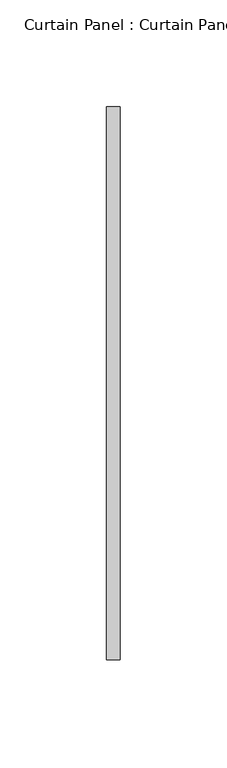
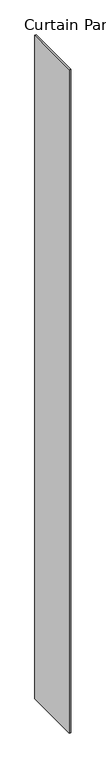
"""IFC4 building model written with IfcOpenShell, lengths in millimetres: plate geometry, Curtain Panel : Curtain Panel."""

import ifcopenshell
import ifcopenshell.guid

model = None  # the IFC model being written
_history = None  # IfcOwnerHistory: only IFC2X3 demands one
_inside = {}  # id of a spatial element -> (the spatial element, [elements in it])
_under = {}  # id of a project, library or spatial element -> (it, [spatial elements below it])
_declared = {}  # id of a project -> (the project, [libraries it declares])
_typed = {}  # id of a type object -> (the type object, [elements of that type])
_made_of = {}  # id of a material, layer set ... -> (it, [elements and type objects made of it])


def new_model(schema):
    """Start an empty IFC model of exactly this schema.

    Asked for "IFC4X3", IfcOpenShell would pick the latest addendum, in which some entities
    have other attributes; the version numbers below select the first issue.
    IFC2X3 requires an IfcOwnerHistory on every rooted entity: one is made here for all.
    """
    global model, _history
    if schema == "IFC4X3":
        model = ifcopenshell.file(schema_version=(4, 3, 0, 0))
    else:
        model = ifcopenshell.file(schema=schema)
    _inside.clear()
    _under.clear()
    _declared.clear()
    _typed.clear()
    _made_of.clear()
    _history = None
    if model.schema == "IFC2X3":
        org = make("IfcOrganization", Name="unknown")
        user = make(
            "IfcPersonAndOrganization",
            ThePerson=make("IfcPerson", FamilyName="unknown"),
            TheOrganization=org,
        )
        app = make(
            "IfcApplication",
            ApplicationDeveloper=org,
            Version="unknown",
            ApplicationFullName="unknown",
            ApplicationIdentifier="unknown",
        )
        _history = make(
            "IfcOwnerHistory",
            OwningUser=user,
            OwningApplication=app,
            ChangeAction="ADDED",
            CreationDate=0,
        )
    return model


def make(cls, **values):
    """One entity of the class cls with the attributes given. An attribute that is None is left unset."""
    return model.create_entity(
        cls, **{name: value for name, value in values.items() if value is not None}
    )


def rooted(cls, **values):
    """An entity with a GlobalId (a new one), such as an element, a storey or a relation."""
    return make(cls, GlobalId=ifcopenshell.guid.new(), OwnerHistory=_history, **values)


def si_unit(unit_type, name, prefix=None):
    """IfcSIUnit, for example si_unit("LENGTHUNIT", "METRE", prefix="MILLI")."""
    return make("IfcSIUnit", UnitType=unit_type, Prefix=prefix, Name=name)


def assignment(units):
    """IfcUnitAssignment: the units of a project."""
    return None if units is None else make("IfcUnitAssignment", Units=units)


def point(xyz):
    """IfcCartesianPoint."""
    return None if xyz is None else make("IfcCartesianPoint", Coordinates=xyz)


def direction(xyz):
    """IfcDirection."""
    return None if xyz is None else make("IfcDirection", DirectionRatios=xyz)


def frame(location, z_axis=None, x_axis=None):
    """IfcAxis2Placement3D, a coordinate frame: its origin and axes. An axis left out is left unset."""
    return make(
        "IfcAxis2Placement3D",
        Location=point(location),
        Axis=direction(z_axis),
        RefDirection=direction(x_axis),
    )


def origin():
    """The frame at (0, 0, 0) with its axes left unset."""
    return frame((0.0, 0.0, 0.0))


def origin_with_axes():
    """The frame at (0, 0, 0) with the z axis (0, 0, 1) and the x axis (1, 0, 0) written out."""
    return frame((0.0, 0.0, 0.0), z_axis=(0.0, 0.0, 1.0), x_axis=(1.0, 0.0, 0.0))


def place(relative_to, where):
    """IfcLocalPlacement: puts the frame where relative to a parent placement (None: the world)."""
    return make(
        "IfcLocalPlacement", PlacementRelTo=relative_to, RelativePlacement=where
    )


def context(
    kind, dimensions, precision=None, world=None, true_north=None, identifier=None
):
    """IfcGeometricRepresentationContext, for example the 3D "Model" context."""
    return make(
        "IfcGeometricRepresentationContext",
        ContextIdentifier=identifier,
        ContextType=kind,
        CoordinateSpaceDimension=dimensions,
        Precision=precision,
        WorldCoordinateSystem=world,
        TrueNorth=true_north,
    )


def project(units=None, contexts=None):
    """IfcProject with its units and contexts."""
    return rooted(
        "IfcProject",
        Name="project",
        RepresentationContexts=contexts,
        UnitsInContext=assignment(units),
    )


def spatial(cls, under=None, at=None, **own):
    """A site, building, storey or space (cls), placed at a placement, below another one or the project."""
    s = rooted(cls, ObjectPlacement=at, **own)
    if under is not None:
        _under.setdefault(under.id(), (under, []))[1].append(s)
    return s


def polyline(points):
    """IfcPolyline through the points."""
    return make("IfcPolyline", Points=[point(p) for p in points])


def outline(outer, holes=None, kind="AREA"):
    """IfcArbitraryClosedProfileDef: a profile drawn as a closed curve; with holes, ...WithVoids."""
    if holes is None:
        return make("IfcArbitraryClosedProfileDef", ProfileType=kind, OuterCurve=outer)
    return make(
        "IfcArbitraryProfileDefWithVoids",
        ProfileType=kind,
        OuterCurve=outer,
        InnerCurves=holes,
    )


def extrude(swept, where, along, depth):
    """IfcExtrudedAreaSolid: the profile swept, set in the frame where, extruded along a direction by depth."""
    return make(
        "IfcExtrudedAreaSolid",
        SweptArea=swept,
        Position=where,
        ExtrudedDirection=direction(along),
        Depth=depth,
    )


def shape(context_of_items, identifier, shape_type, items):
    """IfcShapeRepresentation: the items that make up one representation, for example the "Body"."""
    return make(
        "IfcShapeRepresentation",
        ContextOfItems=context_of_items,
        RepresentationIdentifier=identifier,
        RepresentationType=shape_type,
        Items=items,
    )


def source(mapping_origin, context_of_items, identifier, shape_type, items):
    """IfcRepresentationMap: a shape defined once, which mapped items show again and again."""
    return make(
        "IfcRepresentationMap",
        MappingOrigin=mapping_origin,
        MappedRepresentation=shape(context_of_items, identifier, shape_type, items),
    )


def transform(
    local_origin,
    x_axis=None,
    y_axis=None,
    z_axis=None,
    scale=None,
    scale2=None,
    scale3=None,
    uniform=True,
):
    """IfcCartesianTransformationOperator3D, or its non-uniform kind. x_axis, y_axis, z_axis: its Axis1, 2, 3."""
    if uniform:
        return make(
            "IfcCartesianTransformationOperator3D",
            Axis1=direction(x_axis),
            Axis2=direction(y_axis),
            LocalOrigin=point(local_origin),
            Scale=scale,
            Axis3=direction(z_axis),
        )
    return make(
        "IfcCartesianTransformationOperator3DnonUniform",
        Axis1=direction(x_axis),
        Axis2=direction(y_axis),
        LocalOrigin=point(local_origin),
        Scale=scale,
        Axis3=direction(z_axis),
        Scale2=scale2,
        Scale3=scale3,
    )


def mapped(mapping_source, mapping_target):
    """IfcMappedItem: shows the shape of a source again, moved by a transform."""
    return make(
        "IfcMappedItem", MappingSource=mapping_source, MappingTarget=mapping_target
    )


def made_of(thing, what):
    """Note that an element or type object is made of a material, layer set ...; save() writes the relation."""
    if what is not None:
        _made_of.setdefault(what.id(), (what, []))[1].append(thing)
    return thing


def element(
    cls,
    number,
    at=None,
    inside=None,
    cuts=None,
    type_object=None,
    material=None,
    context=None,
    identifier="Body",
    shape_type=None,
    held_by="IfcProductDefinitionShape",
    body=None,
    shapes=None,
    **own,
):
    """One element of the class cls, such as IfcWall. Its Tag is "e" and its number.

    at: its placement. inside: the storey or other place that contains it. cuts: it is an
    opening in that element (IfcRelVoidsElement). A single representation is given by context,
    identifier, shape_type and body (its items); several are given by shapes. held_by: the class
    of the entity that holds the representations. save() writes the other relations.
    """
    e = rooted(cls, Tag="e%d" % number, ObjectPlacement=at, **own)
    if body is not None:
        shapes = [shape(context, identifier, shape_type, body)]
    if shapes is not None:
        e.Representation = make(held_by, Representations=shapes)
    if inside is not None:
        _inside.setdefault(inside.id(), (inside, []))[1].append(e)
    if cuts is not None:
        rooted(
            "IfcRelVoidsElement", RelatingBuildingElement=cuts, RelatedOpeningElement=e
        )
    if type_object is not None:
        _typed.setdefault(type_object.id(), (type_object, []))[1].append(e)
    return made_of(e, material)


def aggregate(whole, parts):
    """IfcRelAggregates: a whole, such as a stair, and the parts it consists of."""
    return rooted("IfcRelAggregates", RelatingObject=whole, RelatedObjects=parts)


def save(model, path):
    """Write the relations noted so far, then the file.

    IfcRelAggregates (storeys below a building ...), IfcRelContainedInSpatialStructure (elements
    in a storey), IfcRelDefinesByType, IfcRelAssociatesMaterial and IfcRelDeclares: one each for
    every whole, place, type object, material and project.
    """
    for whole, parts in _under.values():
        aggregate(whole, parts)
    for where, things in _inside.values():
        rooted(
            "IfcRelContainedInSpatialStructure",
            RelatedElements=things,
            RelatingStructure=where,
        )
    for kind, things in _typed.values():
        rooted("IfcRelDefinesByType", RelatedObjects=things, RelatingType=kind)
    for what, things in _made_of.values():
        rooted("IfcRelAssociatesMaterial", RelatedObjects=things, RelatingMaterial=what)
    for by, libraries in _declared.values():
        rooted("IfcRelDeclares", RelatingContext=by, RelatedDefinitions=libraries)
    model.write(path)


def curtain_panel_curtain_panel_fb949d16(model_context):
    return source(origin(), model_context, "Body", "SweptSolid", [
        extrude(outline(polyline([(-149756.638178, 7764.512707), (-149756.638178, 8023.275207), (-149750.288178, 8023.275207), (-149750.288178, 7764.512707), (-149756.638178, 7764.512707)])), origin_with_axes(), (0.0, 0.0, 1.0), 3048.0),
    ])


if __name__ == "__main__":
    model = new_model("IFC4")
    model_context = context("Model", 3, world=origin())
    ifc_project = project(units=[si_unit("LENGTHUNIT", "METRE", prefix="MILLI")], contexts=[model_context])
    site = spatial("IfcSite", under=ifc_project)
    building = spatial("IfcBuilding", under=site)
    placement = place(None, origin())
    curtain_panel_curtain_panel_shape = curtain_panel_curtain_panel_fb949d16(model_context)
    element("IfcPlate", 1, ObjectType="Curtain Panel : Curtain Panel", at=placement, inside=building, context=model_context, shape_type="MappedRepresentation", body=[
        mapped(curtain_panel_curtain_panel_shape, transform((0.0, 0.0, 0.0), x_axis=(1.0, 0.0, 0.0), y_axis=(0.0, 1.0, 0.0), z_axis=(0.0, 0.0, 1.0))),
    ])
    save(model, "model.ifc")
